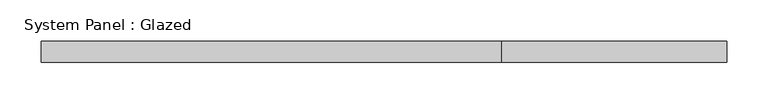
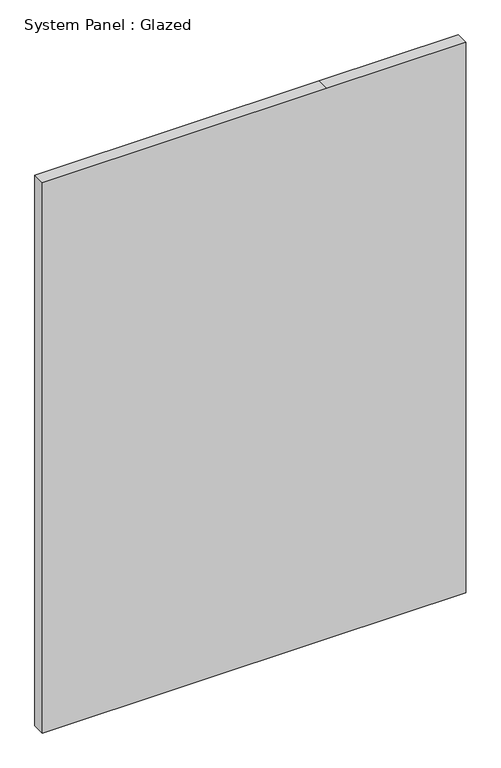
"""IFC4 building model written with IfcOpenShell, lengths in millimetres: plate geometry, System Panel : Glazed."""

import ifcopenshell
import ifcopenshell.guid

model = None  # the IFC model being written
_history = None  # IfcOwnerHistory: only IFC2X3 demands one
_inside = {}  # id of a spatial element -> (the spatial element, [elements in it])
_under = {}  # id of a project, library or spatial element -> (it, [spatial elements below it])
_declared = {}  # id of a project -> (the project, [libraries it declares])
_typed = {}  # id of a type object -> (the type object, [elements of that type])
_made_of = {}  # id of a material, layer set ... -> (it, [elements and type objects made of it])


def new_model(schema):
    """Start an empty IFC model of exactly this schema.

    Asked for "IFC4X3", IfcOpenShell would pick the latest addendum, in which some entities
    have other attributes; the version numbers below select the first issue.
    IFC2X3 requires an IfcOwnerHistory on every rooted entity: one is made here for all.
    """
    global model, _history
    if schema == "IFC4X3":
        model = ifcopenshell.file(schema_version=(4, 3, 0, 0))
    else:
        model = ifcopenshell.file(schema=schema)
    _inside.clear()
    _under.clear()
    _declared.clear()
    _typed.clear()
    _made_of.clear()
    _history = None
    if model.schema == "IFC2X3":
        org = make("IfcOrganization", Name="unknown")
        user = make(
            "IfcPersonAndOrganization",
            ThePerson=make("IfcPerson", FamilyName="unknown"),
            TheOrganization=org,
        )
        app = make(
            "IfcApplication",
            ApplicationDeveloper=org,
            Version="unknown",
            ApplicationFullName="unknown",
            ApplicationIdentifier="unknown",
        )
        _history = make(
            "IfcOwnerHistory",
            OwningUser=user,
            OwningApplication=app,
            ChangeAction="ADDED",
            CreationDate=0,
        )
    return model


def make(cls, **values):
    """One entity of the class cls with the attributes given. An attribute that is None is left unset."""
    return model.create_entity(
        cls, **{name: value for name, value in values.items() if value is not None}
    )


def rooted(cls, **values):
    """An entity with a GlobalId (a new one), such as an element, a storey or a relation."""
    return make(cls, GlobalId=ifcopenshell.guid.new(), OwnerHistory=_history, **values)


def si_unit(unit_type, name, prefix=None):
    """IfcSIUnit, for example si_unit("LENGTHUNIT", "METRE", prefix="MILLI")."""
    return make("IfcSIUnit", UnitType=unit_type, Prefix=prefix, Name=name)


def assignment(units):
    """IfcUnitAssignment: the units of a project."""
    return None if units is None else make("IfcUnitAssignment", Units=units)


def point(xyz):
    """IfcCartesianPoint."""
    return None if xyz is None else make("IfcCartesianPoint", Coordinates=xyz)


def direction(xyz):
    """IfcDirection."""
    return None if xyz is None else make("IfcDirection", DirectionRatios=xyz)


def frame(location, z_axis=None, x_axis=None):
    """IfcAxis2Placement3D, a coordinate frame: its origin and axes. An axis left out is left unset."""
    return make(
        "IfcAxis2Placement3D",
        Location=point(location),
        Axis=direction(z_axis),
        RefDirection=direction(x_axis),
    )


def origin():
    """The frame at (0, 0, 0) with its axes left unset."""
    return frame((0.0, 0.0, 0.0))


def place(relative_to, where):
    """IfcLocalPlacement: puts the frame where relative to a parent placement (None: the world)."""
    return make(
        "IfcLocalPlacement", PlacementRelTo=relative_to, RelativePlacement=where
    )


def context(
    kind, dimensions, precision=None, world=None, true_north=None, identifier=None
):
    """IfcGeometricRepresentationContext, for example the 3D "Model" context."""
    return make(
        "IfcGeometricRepresentationContext",
        ContextIdentifier=identifier,
        ContextType=kind,
        CoordinateSpaceDimension=dimensions,
        Precision=precision,
        WorldCoordinateSystem=world,
        TrueNorth=true_north,
    )


def project(units=None, contexts=None):
    """IfcProject with its units and contexts."""
    return rooted(
        "IfcProject",
        Name="project",
        RepresentationContexts=contexts,
        UnitsInContext=assignment(units),
    )


def spatial(cls, under=None, at=None, **own):
    """A site, building, storey or space (cls), placed at a placement, below another one or the project."""
    s = rooted(cls, ObjectPlacement=at, **own)
    if under is not None:
        _under.setdefault(under.id(), (under, []))[1].append(s)
    return s


def polyline(points):
    """IfcPolyline through the points."""
    return make("IfcPolyline", Points=[point(p) for p in points])


def outline(outer, holes=None, kind="AREA"):
    """IfcArbitraryClosedProfileDef: a profile drawn as a closed curve; with holes, ...WithVoids."""
    if holes is None:
        return make("IfcArbitraryClosedProfileDef", ProfileType=kind, OuterCurve=outer)
    return make(
        "IfcArbitraryProfileDefWithVoids",
        ProfileType=kind,
        OuterCurve=outer,
        InnerCurves=holes,
    )


def extrude(swept, where, along, depth):
    """IfcExtrudedAreaSolid: the profile swept, set in the frame where, extruded along a direction by depth."""
    return make(
        "IfcExtrudedAreaSolid",
        SweptArea=swept,
        Position=where,
        ExtrudedDirection=direction(along),
        Depth=depth,
    )


def shape(context_of_items, identifier, shape_type, items):
    """IfcShapeRepresentation: the items that make up one representation, for example the "Body"."""
    return make(
        "IfcShapeRepresentation",
        ContextOfItems=context_of_items,
        RepresentationIdentifier=identifier,
        RepresentationType=shape_type,
        Items=items,
    )


def source(mapping_origin, context_of_items, identifier, shape_type, items):
    """IfcRepresentationMap: a shape defined once, which mapped items show again and again."""
    return make(
        "IfcRepresentationMap",
        MappingOrigin=mapping_origin,
        MappedRepresentation=shape(context_of_items, identifier, shape_type, items),
    )


def transform(
    local_origin,
    x_axis=None,
    y_axis=None,
    z_axis=None,
    scale=None,
    scale2=None,
    scale3=None,
    uniform=True,
):
    """IfcCartesianTransformationOperator3D, or its non-uniform kind. x_axis, y_axis, z_axis: its Axis1, 2, 3."""
    if uniform:
        return make(
            "IfcCartesianTransformationOperator3D",
            Axis1=direction(x_axis),
            Axis2=direction(y_axis),
            LocalOrigin=point(local_origin),
            Scale=scale,
            Axis3=direction(z_axis),
        )
    return make(
        "IfcCartesianTransformationOperator3DnonUniform",
        Axis1=direction(x_axis),
        Axis2=direction(y_axis),
        LocalOrigin=point(local_origin),
        Scale=scale,
        Axis3=direction(z_axis),
        Scale2=scale2,
        Scale3=scale3,
    )


def mapped(mapping_source, mapping_target):
    """IfcMappedItem: shows the shape of a source again, moved by a transform."""
    return make(
        "IfcMappedItem", MappingSource=mapping_source, MappingTarget=mapping_target
    )


def made_of(thing, what):
    """Note that an element or type object is made of a material, layer set ...; save() writes the relation."""
    if what is not None:
        _made_of.setdefault(what.id(), (what, []))[1].append(thing)
    return thing


def element(
    cls,
    number,
    at=None,
    inside=None,
    cuts=None,
    type_object=None,
    material=None,
    context=None,
    identifier="Body",
    shape_type=None,
    held_by="IfcProductDefinitionShape",
    body=None,
    shapes=None,
    **own,
):
    """One element of the class cls, such as IfcWall. Its Tag is "e" and its number.

    at: its placement. inside: the storey or other place that contains it. cuts: it is an
    opening in that element (IfcRelVoidsElement). A single representation is given by context,
    identifier, shape_type and body (its items); several are given by shapes. held_by: the class
    of the entity that holds the representations. save() writes the other relations.
    """
    e = rooted(cls, Tag="e%d" % number, ObjectPlacement=at, **own)
    if body is not None:
        shapes = [shape(context, identifier, shape_type, body)]
    if shapes is not None:
        e.Representation = make(held_by, Representations=shapes)
    if inside is not None:
        _inside.setdefault(inside.id(), (inside, []))[1].append(e)
    if cuts is not None:
        rooted(
            "IfcRelVoidsElement", RelatingBuildingElement=cuts, RelatedOpeningElement=e
        )
    if type_object is not None:
        _typed.setdefault(type_object.id(), (type_object, []))[1].append(e)
    return made_of(e, material)


def aggregate(whole, parts):
    """IfcRelAggregates: a whole, such as a stair, and the parts it consists of."""
    return rooted("IfcRelAggregates", RelatingObject=whole, RelatedObjects=parts)


def save(model, path):
    """Write the relations noted so far, then the file.

    IfcRelAggregates (storeys below a building ...), IfcRelContainedInSpatialStructure (elements
    in a storey), IfcRelDefinesByType, IfcRelAssociatesMaterial and IfcRelDeclares: one each for
    every whole, place, type object, material and project.
    """
    for whole, parts in _under.values():
        aggregate(whole, parts)
    for where, things in _inside.values():
        rooted(
            "IfcRelContainedInSpatialStructure",
            RelatedElements=things,
            RelatingStructure=where,
        )
    for kind, things in _typed.values():
        rooted("IfcRelDefinesByType", RelatedObjects=things, RelatingType=kind)
    for what, things in _made_of.values():
        rooted("IfcRelAssociatesMaterial", RelatedObjects=things, RelatingMaterial=what)
    for by, libraries in _declared.values():
        rooted("IfcRelDeclares", RelatingContext=by, RelatedDefinitions=libraries)
    model.write(path)


def system_panel_glazed_c7e9b3f8(model_context):
    return source(origin(), model_context, "Body", "SweptSolid", [
        extrude(outline(polyline([(0.0, -415.925), (0.0, 142.875), (0.0, 415.925), (1143.0, 415.925), (1143.0, 142.875), (1143.0, -415.925), (0.0, -415.925)])), frame((0.0, -44.45, 0.0), z_axis=(0.0, 1.0, 0.0), x_axis=(0.0, 0.0, 1.0)), (0.0, 0.0, 1.0), 25.4),
    ])


if __name__ == "__main__":
    model = new_model("IFC4")
    model_context = context("Model", 3, world=origin())
    ifc_project = project(units=[si_unit("LENGTHUNIT", "METRE", prefix="MILLI")], contexts=[model_context])
    site = spatial("IfcSite", under=ifc_project)
    building = spatial("IfcBuilding", under=site)
    placement = place(None, origin())
    system_panel_glazed_shape = system_panel_glazed_c7e9b3f8(model_context)
    element("IfcPlate", 1, ObjectType="System Panel : Glazed", at=placement, inside=building, context=model_context, shape_type="MappedRepresentation", body=[
        mapped(system_panel_glazed_shape, transform((0.0, 0.0, 0.0), x_axis=(1.0, 0.0, 0.0), y_axis=(0.0, 1.0, 0.0), z_axis=(0.0, 0.0, 1.0))),
    ])
    save(model, "model.ifc")
